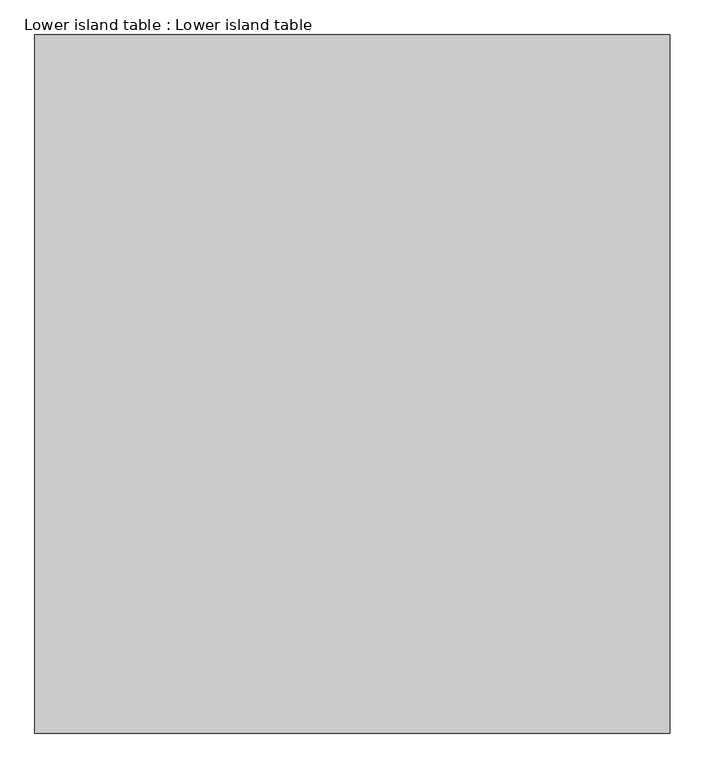
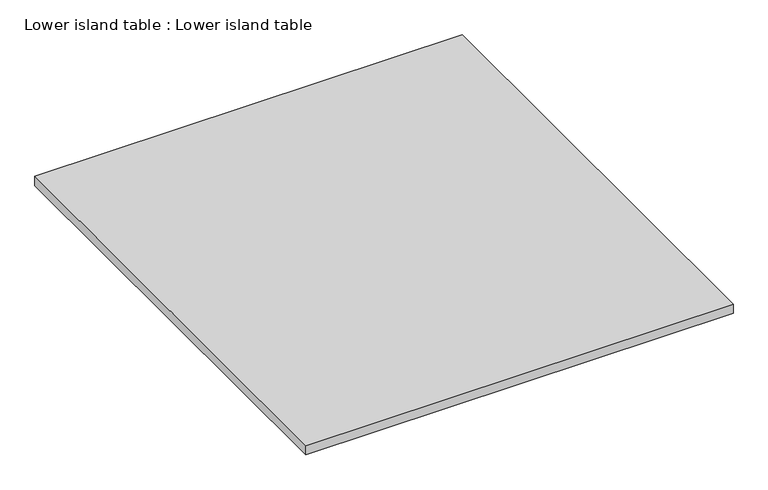
"""IFC4 building model written with IfcOpenShell, lengths in millimetres: proxy geometry, Lower island table : Lower island table."""

from ifc_helpers import new_model, si_unit, frame, origin, place, context, project, spatial, polyline, outline, extrude, source, transform, mapped, element, save


def lower_island_table_lower_island_table_a5d5e4fb(model_context):
    return source(origin(), model_context, "Body", "SweptSolid", [
        extrude(outline(polyline([(-11001.3776708, 4330.1894493), (-9509.2323603, 4330.1894493), (-9509.2323603, 2691.1071767), (-11001.3776708, 2691.1071767), (-11001.3776708, 4330.1894493)])), frame((0.0, 0.0, 727.7222068), z_axis=(0.0, 0.0, 1.0), x_axis=(1.0, 0.0, 0.0)), (0.0, 0.0, 1.0), 34.5850813),
    ])


if __name__ == "__main__":
    model = new_model("IFC4")
    model_context = context("Model", 3, world=origin())
    ifc_project = project(units=[si_unit("LENGTHUNIT", "METRE", prefix="MILLI")], contexts=[model_context])
    site = spatial("IfcSite", under=ifc_project)
    building = spatial("IfcBuilding", under=site)
    placement = place(None, origin())
    lower_island_table_lower_island_table_shape = lower_island_table_lower_island_table_a5d5e4fb(model_context)
    element("IfcBuildingElementProxy", 1, Name="Lower island table : Lower island table", ObjectType="Lower island table : Lower island table", at=placement, inside=building, context=model_context, shape_type="MappedRepresentation", body=[
        mapped(lower_island_table_lower_island_table_shape, transform((0.0, 0.0, 0.0), x_axis=(1.0, 0.0, 0.0), y_axis=(0.0, 1.0, 0.0), z_axis=(0.0, 0.0, 1.0))),
    ])
    save(model, "model.ifc")
